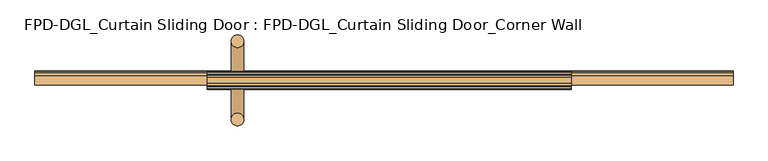
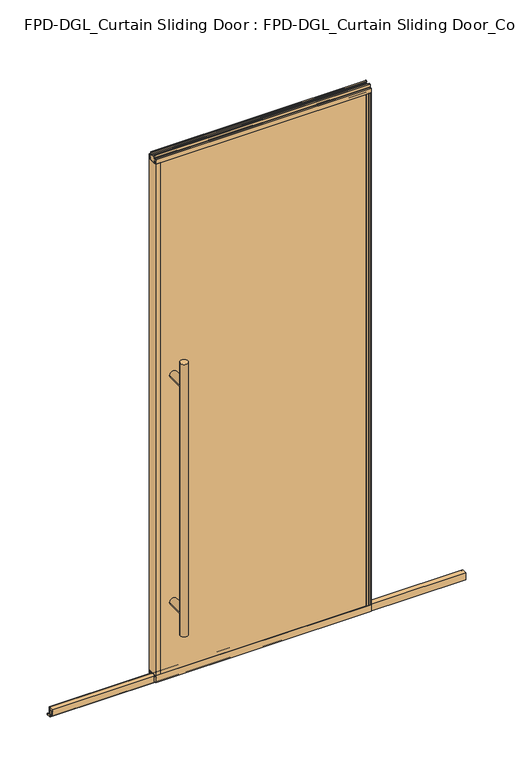
"""IFC4 building model written with IfcOpenShell, lengths in millimetres: door geometry, FPD-DGL_Curtain Sliding Door : FPD-DGL_Curtain Sliding Door_Corner Wall."""

from ifc_helpers import new_model, si_unit, point, frame, frame_2d, origin, place, context, project, spatial, polyline, circle_curve, ellipse_curve, trimmed, segment, composite_curve, outline, extrude, source, transform, mapped, element, save
from ifc_brep_helpers import plane_surface, cylinder_surface, advanced_brep


def fpd_dgl_curtain_sliding_door_fpd_dgl_curtain_sliding_door_bc3ffc69(model_context):
    return source(origin(), model_context, "Body", "SolidModel", [
        advanced_brep(
        [(-364.33125, 28.778049, 1473.2), (-396.08125, 28.778049, 1473.2), (-364.33125, -168.4469566, 1473.2), (-396.08125, -168.4469566, 1473.2), (-364.33125, 28.778049, 254.0), (-396.08125, 28.778049, 254.0), (-364.33125, -168.4469566, 254.0), (-396.08125, -168.4469566, 254.0), (-364.33125, 28.778049, 355.6), (-396.08125, 28.778049, 355.6), (-364.33125, 28.778049, 1371.6), (-396.08125, 28.778049, 1371.6), (-396.08125, -168.4469566, 1371.6), (-396.08125, -168.4469566, 355.6), (-364.33125, -168.4469566, 355.6), (-364.33125, -168.4469566, 1371.6)],
        [
            (0, 1, circle_curve(frame((-380.20625, 28.778049, 1473.2), z_axis=(0.0, 0.0, 1.0), x_axis=(-1.0, 0.0, 0.0)), 15.875)),
            (1, 0, circle_curve(frame((-380.20625, 28.778049, 1473.2), z_axis=(0.0, 0.0, 1.0), x_axis=(-1.0, 0.0, 0.0)), 15.875)),
            (2, 3, circle_curve(frame((-380.20625, -168.4469566, 1473.2), z_axis=(0.0, 0.0, 1.0), x_axis=(-1.0, 0.0, 0.0)), 15.875)),
            (3, 2, circle_curve(frame((-380.20625, -168.4469566, 1473.2), z_axis=(0.0, 0.0, 1.0), x_axis=(-1.0, 0.0, 0.0)), 15.875)),
            (4, 5, circle_curve(frame((-380.20625, 28.778049, 254.0), z_axis=(0.0, 0.0, -1.0), x_axis=(-1.0, 0.0, 0.0)), 15.875)),
            (5, 4, circle_curve(frame((-380.20625, 28.778049, 254.0), z_axis=(0.0, 0.0, -1.0), x_axis=(-1.0, 0.0, 0.0)), 15.875)),
            (6, 7, circle_curve(frame((-380.20625, -168.4469566, 254.0), z_axis=(0.0, 0.0, -1.0), x_axis=(-1.0, 0.0, 0.0)), 15.875)),
            (7, 6, circle_curve(frame((-380.20625, -168.4469566, 254.0), z_axis=(0.0, 0.0, -1.0), x_axis=(-1.0, 0.0, 0.0)), 15.875)),
            (4, 8),
            (8, 9, ellipse_curve(frame((-380.20625, 28.778049, 355.6), z_axis=(0.0, 0.7071067811865525, -0.7071067811865427), x_axis=(0.0, 0.7071067811865427, 0.7071067811865523)), 22.4506403, 15.875)),
            (9, 5),
            (10, 11, ellipse_curve(frame((-380.20625, 28.778049, 1371.6), z_axis=(0.0, 0.7071067811865427, -0.7071067811865525), x_axis=(0.0, 0.7071067811865525, 0.7071067811865425)), 22.4506403, 15.875)),
            (11, 9),
            (9, 8, ellipse_curve(frame((-380.20625, 28.778049, 355.6), z_axis=(0.0, 0.7071067811865427, 0.7071067811865525), x_axis=(0.0, -0.7071067811865525, 0.7071067811865425)), 22.4506403, 15.875)),
            (8, 10),
            (1, 11),
            (11, 10, ellipse_curve(frame((-380.20625, 28.778049, 1371.6), z_axis=(0.0, 0.7071067811865525, 0.7071067811865427), x_axis=(0.0, -0.7071067811865427, 0.7071067811865523)), 22.4506403, 15.875)),
            (10, 0),
            (3, 12),
            (12, 13),
            (13, 7),
            (6, 14),
            (14, 15),
            (15, 2),
            (15, 12, ellipse_curve(frame((-380.20625, -168.4469566, 1371.6), z_axis=(0.0, -0.7071067811865427, 0.7071067811865525), x_axis=(0.0, 0.7071067811865525, 0.7071067811865425)), 22.4506403, 15.875)),
            (13, 14, ellipse_curve(frame((-380.20625, -168.4469566, 355.6), z_axis=(0.0, -0.7071067811865427, -0.7071067811865525), x_axis=(0.0, -0.7071067811865525, 0.7071067811865425)), 22.4506403, 15.875)),
            (14, 13, ellipse_curve(frame((-380.20625, -168.4469566, 355.6), z_axis=(0.0, -0.7071067811865525, 0.7071067811865427), x_axis=(0.0, 0.7071067811865427, 0.7071067811865523)), 22.4506403, 15.875)),
            (12, 15, ellipse_curve(frame((-380.20625, -168.4469566, 1371.6), z_axis=(0.0, -0.7071067811865525, -0.7071067811865427), x_axis=(0.0, -0.7071067811865427, 0.7071067811865523)), 22.4506403, 15.875)),
            (10, 15),
            (12, 11),
            (8, 14),
            (13, 9),
        ],
        [
            plane_surface(frame((-281.0988493, -69.85, 1473.2), z_axis=(0.0, 0.0, 1.0), x_axis=(0.0, 1.0, 0.0))),
            plane_surface(frame((-281.0988493, -69.85, 254.0), z_axis=(0.0, 0.0, -1.0), x_axis=(0.0, 1.0, 0.0))),
            cylinder_surface(frame((-380.20625, 28.778049, 1473.2), z_axis=(0.0, 0.0, 1.0), x_axis=(-1.0, 0.0, 0.0)), 15.875),
            cylinder_surface(frame((-380.20625, -168.4469566, 1473.2), z_axis=(0.0, 0.0, 1.0), x_axis=(-1.0, 0.0, 0.0)), 15.875),
            cylinder_surface(frame((-380.20625, -168.4469566, 1371.6), z_axis=(0.0, 1.0, 0.0), x_axis=(1.0, 0.0, 0.0)), 15.875),
            cylinder_surface(frame((-380.20625, -69.85, 355.6), z_axis=(0.0, 1.0, 0.0), x_axis=(1.0, 0.0, 0.0)), 15.875),
        ],
        [
            (0, [[1, 2]]),
            (0, [[3, 4]]),
            (1, [[5, 6]]),
            (1, [[7, 8]]),
            (2, [[9, 10, 11, -5]]),
            (2, [[12, 13, 14, 15]]),
            (2, [[16, 17, 18, -2]]),
            (2, [[-18, -15, -9, -6, -11, -13, -16, -1]]),
            (3, [[19, 20, 21, -7, 22, 23, 24, -4]]),
            (3, [[-24, 25, -19, -3]]),
            (3, [[-21, 26, -22, -8]]),
            (3, [[27, -20, 28, -23]]),
            (4, [[-12, 29, -28, 30]]),
            (4, [[-25, -29, -17, -30]]),
            (5, [[-10, 31, -26, 32]]),
            (5, [[-27, -31, -14, -32]]),
        ],
    ),
        extrude(outline(composite_curve([segment(polyline([(-66.0369794, 1.1714386), (-66.0369794, 4.0416386)]), True, "CONTINUOUS"), segment(trimmed(circle_curve(frame_2d((-64.8685794, 4.0416386)), 1.1684), [point((-66.0369794, 4.0416386))], [point((-65.2836188, 5.1338386))], False, "CARTESIAN"), True, "CONTINUOUS"), segment(polyline([(-65.2836188, 5.1338386), (-62.5762294, 5.1338386), (-62.5762294, 4.3138948), (-65.2622794, 4.3138948), (-65.2622794, 0.7650387), (-46.7837797, 0.7650387), (-46.7837797, 4.4232339), (-49.7788569, 4.4232339), (-49.7788569, 5.2100386), (-47.1901797, 5.2100386)]), True, "CONTINUOUS"), segment(trimmed(circle_curve(frame_2d((-47.1901797, 4.0416386)), 1.1684), [point((-47.1901797, 5.2100386))], [point((-46.0217797, 4.0416386))], False, "CARTESIAN"), True, "CONTINUOUS"), segment(polyline([(-46.0217797, 4.0416386), (-46.0217797, 1.1714386)]), True, "CONTINUOUS"), segment(trimmed(circle_curve(frame_2d((-47.1901797, 1.1714386)), 1.1684), [point((-46.0217797, 1.1714386))], [point((-47.1901797, 0.0030387))], False, "CARTESIAN"), True, "CONTINUOUS"), segment(polyline([(-47.1901797, 0.0030387), (-64.8685794, 0.0030387)]), True, "CONTINUOUS"), segment(trimmed(circle_curve(frame_2d((-64.8685794, 1.1714386)), 1.1684), [point((-64.8685794, 0.0030387))], [point((-66.0369794, 1.1714386))], False, "CARTESIAN"), True, "CONTINUOUS")], self_intersect=False)), frame((-888.20625, 0.0, 0.0), z_axis=(1.0, 0.0, 0.0), x_axis=(0.0, 1.0, 0.0)), (0.0, 0.0, 1.0), 1751.0125),
        extrude(outline(composite_curve([segment(polyline([(-80.8146139, 41.6030387), (-58.9146141, 41.6030387), (-58.9146141, 11.6839647), (-60.414702, 11.6839647), (-60.414702, 39.1709995)]), True, "CONTINUOUS"), segment(trimmed(circle_curve(frame_2d((-61.3469627, 39.1709995)), 0.9322606), [point((-60.414702, 39.1709995))], [point((-61.3469627, 40.1032601))], True, "CARTESIAN"), True, "CONTINUOUS"), segment(polyline([(-61.3469627, 40.1032601), (-66.4357402, 40.1032601)]), True, "CONTINUOUS"), segment(trimmed(circle_curve(frame_2d((-66.4357402, 39.1243868)), 0.9788733), [point((-66.4357402, 40.1032601))], [point((-67.4146135, 39.1243868))], True, "CARTESIAN"), True, "CONTINUOUS"), segment(polyline([(-67.4146135, 39.1243868), (-67.4146135, 11.6839647), (-69.0146138, 11.6839647), (-69.0146138, 33.5017657), (-70.4044462, 33.5017657), (-70.4044462, 34.3040626), (-69.0146138, 34.3040626), (-69.0146138, 35.6040627), (-79.8146139, 35.6040627), (-79.8146139, 34.3040626), (-78.4247815, 34.3040626), (-78.4247815, 33.5017657), (-79.8146139, 33.5017657), (-79.8146139, 11.6839647), (-80.8146139, 11.6839647), (-80.8146139, 41.6030387)]), True, "CONTINUOUS")], self_intersect=False)), frame((-888.20625, 0.0, 0.0), z_axis=(1.0, 0.0, 0.0), x_axis=(0.0, 1.0, 0.0)), (0.0, 0.0, 1.0), 1751.0125),
        extrude(outline(composite_curve([segment(polyline([(-55.5258097, 48.6471016), (-55.5258097, 47.6299627), (-56.8928229, 47.6299627), (-56.8928229, 41.3613764)]), True, "CONTINUOUS"), segment(trimmed(circle_curve(frame_2d((-54.577348, 41.3613764)), 2.3154748), [point((-56.8928229, 41.3613764))], [point((-54.577348, 39.0459016))], True, "CARTESIAN"), True, "CONTINUOUS"), segment(polyline([(-54.577348, 39.0459016), (-49.5896246, 39.0522555)]), True, "CONTINUOUS"), segment(trimmed(circle_curve(frame_2d((-49.687823, 39.8079016)), 0.762), [point((-49.5896246, 39.0522555))], [point((-48.925823, 39.8079016))], True, "CARTESIAN"), True, "CONTINUOUS"), segment(polyline([(-48.925823, 39.8079016), (-48.925823, 48.6471016), (-47.6258255, 48.6471016), (-47.6258255, 19.0059017), (-56.7472378, 19.0059017), (-56.7472378, 15.875), (-58.6515279, 15.875), (-58.6515279, 47.0470737), (-81.0484721, 47.0470737), (-81.0484721, 15.875), (-82.9527622, 15.875), (-82.9527622, 19.0059017), (-92.0741745, 19.0059017), (-92.0741745, 48.6471016), (-90.774177, 48.6471016), (-90.774177, 39.8079016)]), True, "CONTINUOUS"), segment(trimmed(circle_curve(frame_2d((-90.012177, 39.8079016)), 0.762), [point((-90.774177, 39.8079016))], [point((-90.1103754, 39.0522555))], True, "CARTESIAN"), True, "CONTINUOUS"), segment(polyline([(-90.1103754, 39.0522555), (-85.122652, 39.0459016)]), True, "CONTINUOUS"), segment(trimmed(circle_curve(frame_2d((-85.122652, 41.3613764)), 2.3154748), [point((-85.122652, 39.0459016))], [point((-82.8071771, 41.3613764))], True, "CARTESIAN"), True, "CONTINUOUS"), segment(polyline([(-82.8071771, 41.3613764), (-82.8071771, 47.6299627), (-84.1741903, 47.6299627), (-84.1741903, 48.6471016), (-55.5258097, 48.6471016)]), True, "CONTINUOUS")], self_intersect=False)), frame((-456.40625, 0.0, 0.0), z_axis=(1.0, 0.0, 0.0), x_axis=(0.0, 1.0, 0.0)), (0.0, 0.0, 1.0), 912.8125),
        extrude(outline(composite_curve([segment(polyline([(-61.4500175, 2373.482105), (-56.4453412, 2373.482105)]), True, "CONTINUOUS"), segment(trimmed(circle_curve(frame_2d((-56.4453412, 2372.8867925)), 0.5953125), [point((-56.4453412, 2373.482105))], [point((-55.8500287, 2372.8867925))], False, "CARTESIAN"), True, "CONTINUOUS"), segment(polyline([(-55.8500287, 2372.8867925), (-55.8500287, 2361.518791)]), True, "CONTINUOUS"), segment(trimmed(circle_curve(frame_2d((-53.9309248, 2361.518791)), 1.919104), [point((-55.8500287, 2361.518791))], [point((-53.9309248, 2359.599687))], True, "CARTESIAN"), True, "CONTINUOUS"), segment(polyline([(-53.9309248, 2359.599687), (-48.4250432, 2359.599687)]), True, "CONTINUOUS"), segment(trimmed(circle_curve(frame_2d((-48.4250432, 2358.7996885)), 0.7999985), [point((-48.4250432, 2359.599687))], [point((-47.6250446, 2358.7996885))], False, "CARTESIAN"), True, "CONTINUOUS"), segment(polyline([(-47.6250446, 2358.7996885), (-47.6250446, 2339.914687), (-48.9250423, 2339.914687), (-48.9250423, 2350.014667)]), True, "CONTINUOUS"), segment(trimmed(circle_curve(frame_2d((-49.4250413, 2350.014667)), 0.499999), [point((-48.9250423, 2350.014667))], [point((-49.4250413, 2350.514666))], True, "CARTESIAN"), True, "CONTINUOUS"), segment(polyline([(-49.4250413, 2350.514666), (-55.5250289, 2350.514666), (-55.5250289, 2339.914687), (-84.1749714, 2339.914687), (-84.1749714, 2350.514666), (-90.2749587, 2350.514666)]), True, "CONTINUOUS"), segment(trimmed(circle_curve(frame_2d((-90.2749587, 2350.014667)), 0.499999), [point((-90.2749587, 2350.514666))], [point((-90.7749577, 2350.014667))], True, "CARTESIAN"), True, "CONTINUOUS"), segment(polyline([(-90.7749577, 2350.014667), (-90.7749577, 2339.914687), (-92.0749551, 2339.914687), (-92.0749551, 2358.7996885)]), True, "CONTINUOUS"), segment(trimmed(circle_curve(frame_2d((-91.2749567, 2358.7996885)), 0.7999984), [point((-92.0749551, 2358.7996885))], [point((-91.2749567, 2359.5996869))], False, "CARTESIAN"), True, "CONTINUOUS"), segment(polyline([(-91.2749567, 2359.5996869), (-85.7690752, 2359.5996869)]), True, "CONTINUOUS"), segment(trimmed(circle_curve(frame_2d((-85.7690752, 2361.5187908)), 1.919104), [point((-85.7690752, 2359.5996869))], [point((-83.8499713, 2361.5187908))], True, "CARTESIAN"), True, "CONTINUOUS"), segment(polyline([(-83.8499713, 2361.5187908), (-83.8499713, 2372.8867925)]), True, "CONTINUOUS"), segment(trimmed(circle_curve(frame_2d((-83.2546588, 2372.8867925)), 0.5953125), [point((-83.8499713, 2372.8867925))], [point((-83.2546588, 2373.482105))], False, "CARTESIAN"), True, "CONTINUOUS"), segment(polyline([(-83.2546588, 2373.482105), (-78.2499825, 2373.482105), (-78.2499825, 2371.482109), (-81.8499752, 2371.482109), (-81.8499752, 2362.982126)]), True, "CONTINUOUS"), segment(trimmed(circle_curve(frame_2d((-81.3499762, 2362.982126)), 0.499999), [point((-81.8499752, 2362.982126))], [point((-81.3499762, 2362.482127))], True, "CARTESIAN"), True, "CONTINUOUS"), segment(polyline([(-81.3499762, 2362.482127), (-58.3500238, 2362.482127)]), True, "CONTINUOUS"), segment(trimmed(circle_curve(frame_2d((-58.3500238, 2362.982126)), 0.499999), [point((-58.3500238, 2362.482127))], [point((-57.8500248, 2362.982126))], True, "CARTESIAN"), True, "CONTINUOUS"), segment(polyline([(-57.8500248, 2362.982126), (-57.8500248, 2371.482109), (-61.4500175, 2371.482109), (-61.4500175, 2373.482105)]), True, "CONTINUOUS")], self_intersect=False)), frame((-456.40625, 0.0, 0.0), z_axis=(1.0, 0.0, 0.0), x_axis=(0.0, 1.0, 0.0)), (0.0, 0.0, 1.0), 912.8125),
        extrude(outline(polyline([(446.4694011, -90.7765993), (-446.4694011, -90.7765993), (-446.4694011, -84.175), (446.4694011, -84.175), (446.4694011, -90.7765993)])), frame((0.0, 0.0, 39.1580021), z_axis=(0.0, 0.0, 1.0), x_axis=(1.0, 0.0, 0.0)), (0.0, 0.0, 1.0), 2311.0901216),
        extrude(outline(polyline([(-446.4694011, -55.525), (-446.4694011, -48.9234007), (446.4694011, -48.9234007), (446.4694011, -55.525), (-446.4694011, -55.525)])), frame((0.0, 0.0, 39.1580021), z_axis=(0.0, 0.0, 1.0), x_axis=(1.0, 0.0, 0.0)), (0.0, 0.0, 1.0), 2311.0901216),
        extrude(outline(composite_curve([segment(polyline([(-456.40625, -92.075), (-456.40625, -47.625), (-435.8694011, -47.625), (-435.8694011, -48.9234), (-445.9402074, -48.9234)]), True, "CONTINUOUS"), segment(trimmed(circle_curve(frame_2d((-445.9402074, -49.4525937)), 0.5291937), [point((-445.9402074, -48.9234))], [point((-446.4694011, -49.4525937))], True, "CARTESIAN"), True, "CONTINUOUS"), segment(polyline([(-446.4694011, -49.4525937), (-446.4694011, -51.4096), (-447.6694009, -51.4096), (-447.6694009, -48.9298), (-454.6028499, -48.9298), (-454.6028499, -60.604802), (-447.6694009, -60.604802), (-447.6694009, -55.525), (-435.8694011, -55.525), (-435.8694011, -84.175), (-447.6694009, -84.175), (-447.6694009, -79.095198), (-454.6028499, -79.095198), (-454.6028499, -90.7702), (-447.6694009, -90.7702), (-447.6694009, -88.2904), (-446.4694011, -88.2904), (-446.4694011, -90.2685993)]), True, "CONTINUOUS"), segment(trimmed(circle_curve(frame_2d((-445.9614011, -90.2685993)), 0.508), [point((-446.4694011, -90.2685993))], [point((-445.9614011, -90.7765993))], True, "CARTESIAN"), True, "CONTINUOUS"), segment(polyline([(-445.9614011, -90.7765993), (-435.8694011, -90.7765993), (-435.8694011, -92.075), (-456.40625, -92.075)]), True, "CONTINUOUS")], self_intersect=False)), frame((0.0, 0.0, 48.6471016), z_axis=(0.0, 0.0, 1.0), x_axis=(1.0, 0.0, 0.0)), (0.0, 0.0, 1.0), 2291.2675854),
        extrude(outline(composite_curve([segment(polyline([(456.40625, -92.075), (435.8694011, -92.075), (435.8694011, -90.7765993), (445.9614011, -90.7765993)]), True, "CONTINUOUS"), segment(trimmed(circle_curve(frame_2d((445.9614011, -90.2685993)), 0.508), [point((445.9614011, -90.7765993))], [point((446.4694011, -90.2685993))], True, "CARTESIAN"), True, "CONTINUOUS"), segment(polyline([(446.4694011, -90.2685993), (446.4694011, -88.2904), (447.6694009, -88.2904), (447.6694009, -90.7702), (454.6028499, -90.7702), (454.6028499, -79.095198), (447.6694009, -79.095198), (447.6694009, -84.175), (435.8694011, -84.175), (435.8694011, -55.525), (447.6694009, -55.525), (447.6694009, -60.604802), (454.6028499, -60.604802), (454.6028499, -48.9298), (447.6694009, -48.9298), (447.6694009, -51.4096), (446.4694011, -51.4096), (446.4694011, -49.4525937)]), True, "CONTINUOUS"), segment(trimmed(circle_curve(frame_2d((445.9402074, -49.4525937)), 0.5291937), [point((446.4694011, -49.4525937))], [point((445.9402074, -48.9234))], True, "CARTESIAN"), True, "CONTINUOUS"), segment(polyline([(445.9402074, -48.9234), (435.869401, -48.9234), (435.869401, -47.625), (456.40625, -47.625), (456.40625, -92.075)]), True, "CONTINUOUS")], self_intersect=False)), frame((0.0, 0.0, 48.6471016), z_axis=(0.0, 0.0, 1.0), x_axis=(1.0, 0.0, 0.0)), (0.0, 0.0, 1.0), 2291.2675854),
    ])


if __name__ == "__main__":
    model = new_model("IFC4")
    model_context = context("Model", 3, world=origin())
    ifc_project = project(units=[si_unit("LENGTHUNIT", "METRE", prefix="MILLI")], contexts=[model_context])
    site = spatial("IfcSite", under=ifc_project)
    building = spatial("IfcBuilding", under=site)
    placement = place(None, origin())
    fpd_dgl_curtain_sliding_door_fpd_dgl_curtain_sliding_door_shape = fpd_dgl_curtain_sliding_door_fpd_dgl_curtain_sliding_door_bc3ffc69(model_context)
    element("IfcDoor", 1, ObjectType="FPD-DGL_Curtain Sliding Door : FPD-DGL_Curtain Sliding Door_Corner Wall", at=placement, inside=building, context=model_context, shape_type="MappedRepresentation", body=[
        mapped(fpd_dgl_curtain_sliding_door_fpd_dgl_curtain_sliding_door_shape, transform((0.0, 0.0, 0.0), x_axis=(1.0, 0.0, 0.0), y_axis=(0.0, 1.0, 0.0), z_axis=(0.0, 0.0, 1.0))),
    ])
    save(model, "model.ifc")
